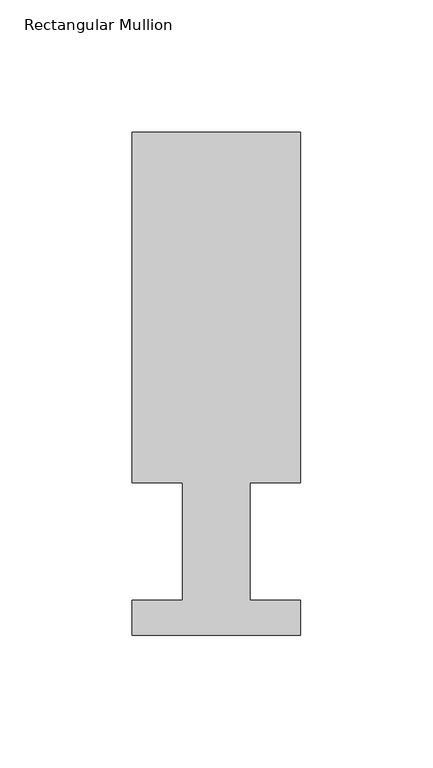
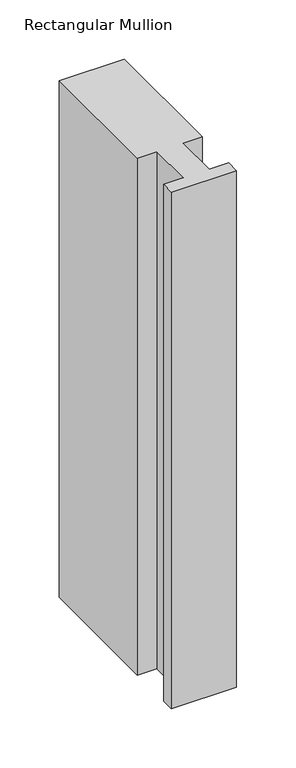
"""IFC4 building model written with IfcOpenShell, lengths in millimetres: member geometry, Rectangular Mullion."""

from ifc_helpers import new_model, si_unit, frame, origin, place, context, project, spatial, polyline, outline, extrude, source, transform, mapped, element, save


def rectangular_mullion_198ad8ce(model_context):
    return source(origin(), model_context, "Body", "SweptSolid", [
        extrude(outline(polyline([(-63.5, 189.8022938), (0.0, 189.8022938), (0.0, 57.6460937), (-19.0373, 57.6460937), (-19.0373, 13.1960938), (0.0, 13.1960938), (0.0, 0.0134938), (-63.5, 0.0134938), (-63.5, 13.1960938), (-44.45, 13.1960938), (-44.45, 57.6460937), (-63.5, 57.6460937), (-63.5, 189.8022938)])), frame((0.0, 0.0, -533.4), z_axis=(0.0, 0.0, 1.0), x_axis=(1.0, 0.0, 0.0)), (0.0, 0.0, 1.0), 533.4),
    ])


if __name__ == "__main__":
    model = new_model("IFC4")
    model_context = context("Model", 3, world=origin())
    ifc_project = project(units=[si_unit("LENGTHUNIT", "METRE", prefix="MILLI")], contexts=[model_context])
    site = spatial("IfcSite", under=ifc_project)
    building = spatial("IfcBuilding", under=site)
    placement = place(None, origin())
    rectangular_mullion_shape = rectangular_mullion_198ad8ce(model_context)
    element("IfcMember", 1, ObjectType="Rectangular Mullion", at=placement, inside=building, context=model_context, shape_type="MappedRepresentation", body=[
        mapped(rectangular_mullion_shape, transform((0.0, 0.0, 0.0), x_axis=(1.0, 0.0, 0.0), y_axis=(0.0, 1.0, 0.0), z_axis=(0.0, 0.0, 1.0))),
    ])
    save(model, "model.ifc")
